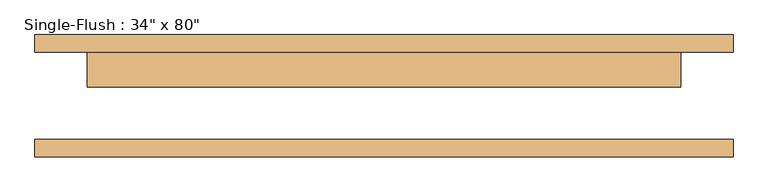
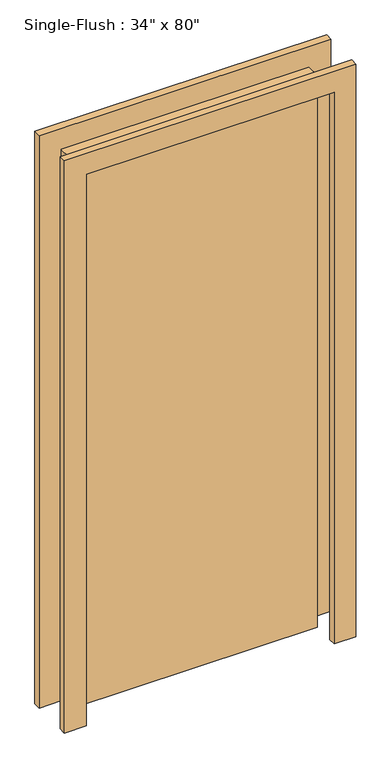
"""IFC4 building model written with IfcOpenShell, lengths in millimetres: door geometry."""

from ifc_helpers import new_model, si_unit, frame, origin, origin_with_axes, place, context, project, spatial, polyline, outline, extrude, source, transform, mapped, element, save


def door_92889684(model_context):
    return source(origin(), model_context, "Body", "SweptSolid", [
        extrude(outline(polyline([(2108.2, -508.0), (0.0, -508.0), (0.0, -431.8), (2032.0, -431.8), (2032.0, 431.8), (0.0, 431.8), (0.0, 508.0), (2108.2, 508.0), (2108.2, -508.0)])), frame((0.0, 63.5, 0.0), z_axis=(0.0, 1.0, 0.0), x_axis=(0.0, 0.0, 1.0)), (0.0, 0.0, 1.0), 25.4),
        extrude(outline(polyline([(2108.2, 508.0), (2108.2, -508.0), (0.0, -508.0), (0.0, -431.8), (2032.0, -431.8), (2032.0, 431.8), (0.0, 431.8), (0.0, 508.0), (2108.2, 508.0)])), frame((0.0, -88.9, 0.0), z_axis=(0.0, 1.0, 0.0), x_axis=(0.0, 0.0, 1.0)), (0.0, 0.0, 1.0), 25.4),
        extrude(outline(polyline([(431.8, 12.7), (-431.8, 12.7), (-431.8, 63.5), (431.8, 63.5), (431.8, 12.7)])), origin_with_axes(), (0.0, 0.0, 1.0), 2032.0),
    ])


if __name__ == "__main__":
    model = new_model("IFC4")
    model_context = context("Model", 3, world=origin())
    ifc_project = project(units=[si_unit("LENGTHUNIT", "METRE", prefix="MILLI")], contexts=[model_context])
    site = spatial("IfcSite", under=ifc_project)
    building = spatial("IfcBuilding", under=site)
    placement = place(None, origin())
    door_shape = door_92889684(model_context)
    element("IfcDoor", 1, ObjectType="Single-Flush : 34\" x 80\"", at=placement, inside=building, context=model_context, shape_type="MappedRepresentation", body=[
        mapped(door_shape, transform((0.0, 0.0, 0.0), x_axis=(1.0, 0.0, 0.0), y_axis=(0.0, 1.0, 0.0), z_axis=(0.0, 0.0, 1.0))),
    ])
    save(model, "model.ifc")
